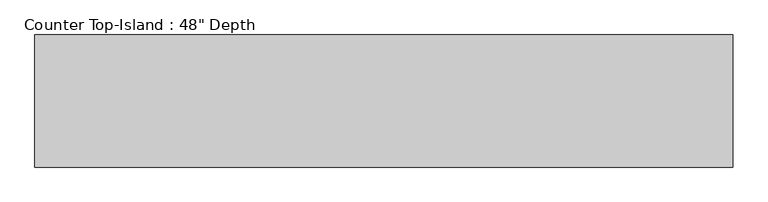
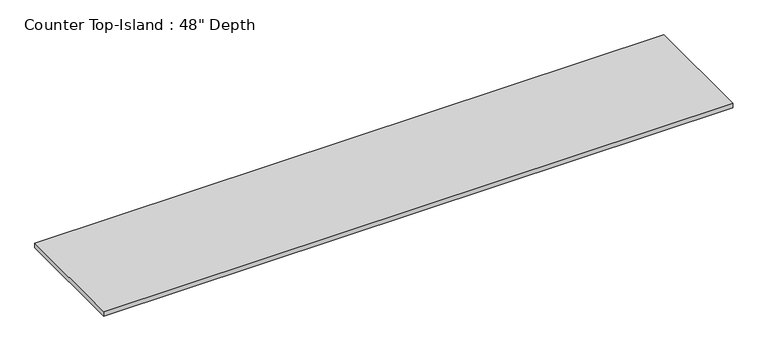
"""IFC4 building model written with IfcOpenShell, lengths in millimetres: furniture geometry."""

from ifc_helpers import new_model, si_unit, frame, origin, place, context, project, spatial, polyline, outline, extrude, source, transform, mapped, element, save


def furniture_d6406b6e(model_context):
    return source(origin(), model_context, "Body", "SweptSolid", [
        extrude(outline(polyline([(4031.9377049, 25.4), (4031.9377049, -965.2), (-1200.4622951, -965.2), (-1200.4622951, 25.4), (4031.9377049, 25.4)])), frame((0.0, 0.0, 876.3), z_axis=(0.0, 0.0, 1.0), x_axis=(1.0, 0.0, 0.0)), (0.0, 0.0, 1.0), 38.1),
    ])


if __name__ == "__main__":
    model = new_model("IFC4")
    model_context = context("Model", 3, world=origin())
    ifc_project = project(units=[si_unit("LENGTHUNIT", "METRE", prefix="MILLI")], contexts=[model_context])
    site = spatial("IfcSite", under=ifc_project)
    building = spatial("IfcBuilding", under=site)
    placement = place(None, origin())
    furniture_shape = furniture_d6406b6e(model_context)
    element("IfcFurniture", 1, ObjectType="Counter Top-Island : 48\" Depth", at=placement, inside=building, context=model_context, shape_type="MappedRepresentation", body=[
        mapped(furniture_shape, transform((0.0, 0.0, 0.0), x_axis=(1.0, 0.0, 0.0), y_axis=(0.0, 1.0, 0.0), z_axis=(0.0, 0.0, 1.0))),
    ])
    save(model, "model.ifc")
